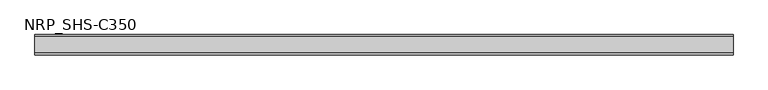
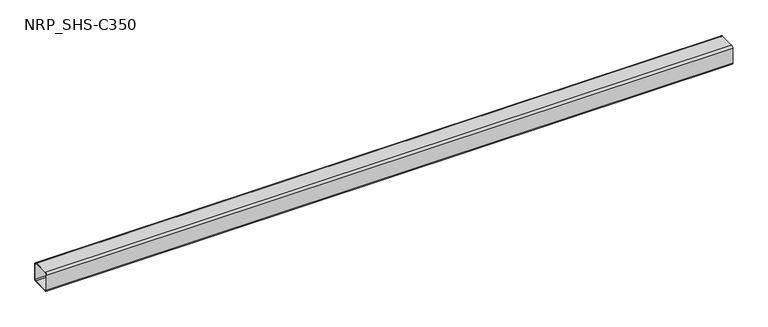
"""IFC4 building model written with IfcOpenShell, lengths in millimetres: member geometry, NRP_SHS-C350."""

from ifc_helpers import new_model, si_unit, point, frame, frame_2d, origin, place, context, project, spatial, polyline, circle_curve, trimmed, segment, composite_curve, outline, extrude, source, transform, mapped, element, save


def nrp_shs_c350_f755b3e4(model_context):
    return source(origin(), model_context, "Body", "SweptSolid", [
        extrude(outline(composite_curve([segment(trimmed(circle_curve(frame_2d((-35.75, 35.75)), 8.75), [point((-44.5, 35.75))], [point((-35.75, 44.5))], False, "CARTESIAN"), True, "CONTINUOUS"), segment(polyline([(-35.75, 44.5), (35.75, 44.5)]), True, "CONTINUOUS"), segment(trimmed(circle_curve(frame_2d((35.75, 35.75)), 8.75), [point((35.75, 44.5))], [point((44.5, 35.75))], False, "CARTESIAN"), True, "CONTINUOUS"), segment(polyline([(44.5, 35.75), (44.5, -35.75)]), True, "CONTINUOUS"), segment(trimmed(circle_curve(frame_2d((35.75, -35.75)), 8.75), [point((44.5, -35.75))], [point((35.75, -44.5))], False, "CARTESIAN"), True, "CONTINUOUS"), segment(polyline([(35.75, -44.5), (-35.75, -44.5)]), True, "CONTINUOUS"), segment(trimmed(circle_curve(frame_2d((-35.75, -35.75)), 8.75), [point((-35.75, -44.5))], [point((-44.5, -35.75))], False, "CARTESIAN"), True, "CONTINUOUS"), segment(polyline([(-44.5, -35.75), (-44.5, 35.75)]), True, "CONTINUOUS")], self_intersect=False), holes=[composite_curve([segment(polyline([(35.75, 41.0), (-35.75, 41.0)]), True, "CONTINUOUS"), segment(trimmed(circle_curve(frame_2d((-35.75, 35.75)), 5.25), [point((-35.75, 41.0))], [point((-41.0, 35.75))], True, "CARTESIAN"), True, "CONTINUOUS"), segment(polyline([(-41.0, 35.75), (-41.0, -35.75)]), True, "CONTINUOUS"), segment(trimmed(circle_curve(frame_2d((-35.75, -35.75)), 5.25), [point((-41.0, -35.75))], [point((-35.75, -41.0))], True, "CARTESIAN"), True, "CONTINUOUS"), segment(polyline([(-35.75, -41.0), (35.75, -41.0)]), True, "CONTINUOUS"), segment(trimmed(circle_curve(frame_2d((35.75, -35.75)), 5.25), [point((35.75, -41.0))], [point((41.0, -35.75))], True, "CARTESIAN"), True, "CONTINUOUS"), segment(polyline([(41.0, -35.75), (41.0, 35.75)]), True, "CONTINUOUS"), segment(trimmed(circle_curve(frame_2d((35.75, 35.75)), 5.25), [point((41.0, 35.75))], [point((35.75, 41.0))], True, "CARTESIAN"), True, "CONTINUOUS")], self_intersect=False)]), frame((-1539.5, 0.0, 0.0), z_axis=(1.0, 0.0, 0.0), x_axis=(0.0, 1.0, 0.0)), (0.0, 0.0, 1.0), 3077.0),
    ])


if __name__ == "__main__":
    model = new_model("IFC4")
    model_context = context("Model", 3, world=origin())
    ifc_project = project(units=[si_unit("LENGTHUNIT", "METRE", prefix="MILLI")], contexts=[model_context])
    site = spatial("IfcSite", under=ifc_project)
    building = spatial("IfcBuilding", under=site)
    placement = place(None, origin())
    nrp_shs_c350_shape = nrp_shs_c350_f755b3e4(model_context)
    element("IfcMember", 1, ObjectType="NRP_SHS-C350", at=placement, inside=building, context=model_context, shape_type="MappedRepresentation", body=[
        mapped(nrp_shs_c350_shape, transform((0.0, 0.0, 0.0), x_axis=(1.0, 0.0, 0.0), y_axis=(0.0, 1.0, 0.0), z_axis=(0.0, 0.0, 1.0))),
    ])
    save(model, "model.ifc")
